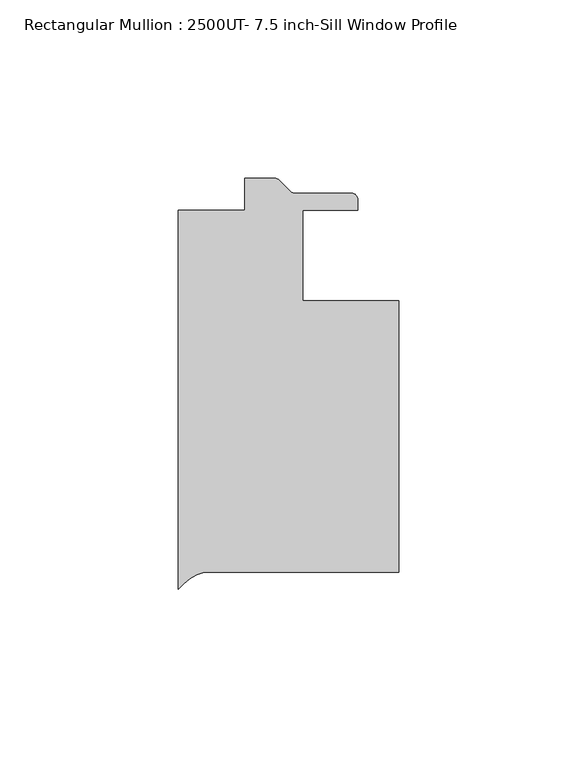
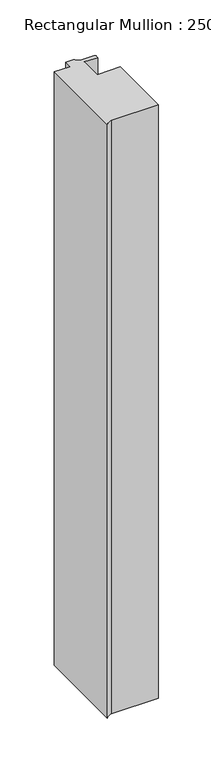
"""IFC4 building model written with IfcOpenShell, lengths in millimetres: member geometry, Rectangular Mullion : 2500UT- 7.5 inch-Sill Window Profile."""

from ifc_helpers import new_model, si_unit, point, frame, frame_2d, origin, place, context, project, spatial, polyline, circle_curve, trimmed, segment, composite_curve, outline, extrude, source, transform, mapped, element, save


def rectangular_mullion_2500ut_7_5_inch_sill_window_profile_f1243385(model_context):
    return source(origin(), model_context, "Body", "SweptSolid", [
        extrude(outline(composite_curve([segment(polyline([(61.9185108, -88.9365125), (7.2985234, -88.9365125)]), True, "CONTINUOUS"), segment(trimmed(circle_curve(frame_2d((10.8256925, -102.1673261)), 13.6928942), [point((7.2985234, -88.9365125))], [point((0.0, -93.7828325))], True, "CARTESIAN"), True, "CONTINUOUS"), segment(polyline([(0.0, -93.7828325), (0.0, 12.6642815), (18.6821604, 12.6642815), (18.6821604, 21.6296875), (27.0459809, 21.6296875)]), True, "CONTINUOUS"), segment(trimmed(circle_curve(frame_2d((27.0459809, 19.8516875)), 1.778), [point((27.0459809, 21.6296875))], [point((28.3032167, 21.1089234))], False, "CARTESIAN"), True, "CONTINUOUS"), segment(polyline([(28.3032167, 21.1089234), (31.5288884, 17.8832516)]), True, "CONTINUOUS"), segment(trimmed(circle_curve(frame_2d((32.7861243, 19.1404875)), 1.778), [point((31.5288884, 17.8832516))], [point((32.7861243, 17.3624875))], True, "CARTESIAN"), True, "CONTINUOUS"), segment(polyline([(32.7861243, 17.3624875), (48.6541604, 17.3624875)]), True, "CONTINUOUS"), segment(trimmed(circle_curve(frame_2d((48.6541604, 15.5844875)), 1.778), [point((48.6541604, 17.3624875))], [point((50.4321604, 15.5844875))], False, "CARTESIAN"), True, "CONTINUOUS"), segment(polyline([(50.4321604, 15.5844875), (50.4321604, 12.6634874), (34.9310114, 12.6634874), (34.9310114, -12.7365125), (61.9185108, -12.7365125), (61.9185108, -88.9365125)]), True, "CONTINUOUS")], self_intersect=False)), frame((0.0, 0.0, -726.7439561), z_axis=(0.0, 0.0, 1.0), x_axis=(1.0, 0.0, 0.0)), (0.0, 0.0, 1.0), 726.7439561),
    ])


if __name__ == "__main__":
    model = new_model("IFC4")
    model_context = context("Model", 3, world=origin())
    ifc_project = project(units=[si_unit("LENGTHUNIT", "METRE", prefix="MILLI")], contexts=[model_context])
    site = spatial("IfcSite", under=ifc_project)
    building = spatial("IfcBuilding", under=site)
    placement = place(None, origin())
    rectangular_mullion_2500ut_7_5_inch_sill_window_profile_shape = rectangular_mullion_2500ut_7_5_inch_sill_window_profile_f1243385(model_context)
    element("IfcMember", 1, ObjectType="Rectangular Mullion : 2500UT- 7.5 inch-Sill Window Profile", at=placement, inside=building, context=model_context, shape_type="MappedRepresentation", body=[
        mapped(rectangular_mullion_2500ut_7_5_inch_sill_window_profile_shape, transform((0.0, 0.0, 0.0), x_axis=(1.0, 0.0, 0.0), y_axis=(0.0, 1.0, 0.0), z_axis=(0.0, 0.0, 1.0))),
    ])
    save(model, "model.ifc")
